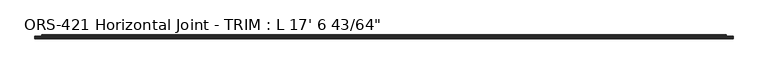
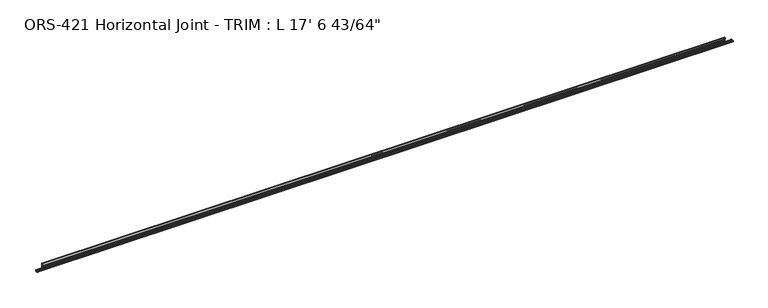
"""IFC4 building model written with IfcOpenShell, lengths in millimetres: proxy geometry."""

from ifc_helpers import new_model, si_unit, frame, origin, place, context, project, spatial, polyline, circle_curve, source, transform, mapped, element, save
from ifc_brep_helpers import plane_surface, cylinder_surface, revolved_surface, advanced_brep


def proxy_d3b7d7da(model_context):
    return source(origin(), model_context, "Body", "AdvancedBrep", [
        advanced_brep(
        [(5351.065625, -9.5227724, 14.2748961), (5351.065625, -11.1103088, 12.7000961), (5351.065625, -13.9276212, 12.7000961), (5351.065625, -17.0157724, 12.7000961), (5351.065625, -21.6311968, 12.7000961), (5351.065625, -24.719348, 12.7000961), (5351.065625, -28.5727724, 12.7000961), (5351.065625, -28.5727724, 10.9764677), (5351.065625, -27.3839904, 11.2304677), (5351.065625, -26.6022585, 10.9764677), (5351.065625, -25.807936, 11.2304677), (5351.065625, -25.0262041, 10.9764677), (5351.065625, -24.2318817, 11.2304677), (5351.065625, -23.4501498, 10.9764677), (5351.065625, -22.655827, 11.2304677), (5351.065625, -21.8740954, 10.9764677), (5351.065625, -21.0797726, 11.2304677), (5351.065625, -21.0797726, 7.806928), (5351.065625, -21.8740954, 8.060928), (5351.065625, -22.655827, 7.806928), (5351.065625, -23.4501498, 8.060928), (5351.065625, -24.2318817, 7.806928), (5351.065625, -25.0262041, 8.060928), (5351.065625, -25.807936, 7.806928), (5351.065625, -26.6022585, 8.060928), (5351.065625, -27.3839904, 7.806928), (5351.065625, -28.5727724, 8.0609281), (5351.065625, -28.5727724, 6.3372997), (5351.065625, -24.719348, 6.3372997), (5351.065625, -21.6311968, 6.3372997), (5351.065625, -17.0157724, 6.3372997), (5351.065625, -13.9276212, 6.3372997), (5351.065625, -11.1103088, 6.3372997), (5351.065625, -9.5227724, 4.7624997), (0.0, -9.5227724, 4.7624997), (0.0, -11.1103088, 6.3372997), (0.0, -13.9276212, 6.3372997), (0.0, -17.0157724, 6.3372997), (0.0, -21.6311968, 6.3372997), (0.0, -24.719348, 6.3372997), (0.0, -28.5727724, 6.3372997), (0.0, -28.5727724, 8.0609281), (0.0, -27.3839904, 7.806928), (0.0, -26.6022585, 8.060928), (0.0, -25.807936, 7.806928), (0.0, -25.0262041, 8.060928), (0.0, -24.2318817, 7.806928), (0.0, -23.4501498, 8.060928), (0.0, -22.655827, 7.806928), (0.0, -21.8740954, 8.060928), (0.0, -21.0797726, 7.806928), (0.0, -21.0797726, 11.2304677), (0.0, -21.8740954, 10.9764677), (0.0, -22.655827, 11.2304677), (0.0, -23.4501498, 10.9764677), (0.0, -24.2318817, 11.2304677), (0.0, -25.0262041, 10.9764677), (0.0, -25.807936, 11.2304677), (0.0, -26.6022585, 10.9764677), (0.0, -27.3839904, 11.2304677), (0.0, -28.5727724, 10.9764677), (0.0, -28.5727724, 12.7000961), (0.0, -24.719348, 12.7000961), (0.0, -21.6311968, 12.7000961), (0.0, -17.0157724, 12.7000961), (0.0, -13.9276212, 12.7000961), (0.0, -11.1103088, 12.7000961), (0.0, -9.5227724, 14.2748961), (5300.265625, -9.5227724, 4.7624997), (5300.265625, -9.5227724, 14.2748961), (50.8, -9.5227724, 14.2748961), (50.8, -9.5227724, 4.7624997), (5300.265625, -7.2821477, 4.7624997), (5300.265625, -5.3863371, 15.8340338), (5300.265625, -3.1774988, 15.8340338), (5300.265625, -3.1774988, 0.0), (5300.265625, 0.0, 0.0), (5300.265625, 0.0, 44.8483756), (5300.265625, -3.1774988, 44.8483756), (5300.265625, -3.1774988, 33.81375), (5300.265625, -5.392657, 33.81375), (5300.265625, -7.2036308, 44.3898369), (5300.265625, -8.3323044, 44.8490303), (5300.265625, -9.525, 44.3237531), (5300.265625, -9.525, 31.90875), (5300.265625, -3.81, 31.90875), (5300.265625, -1.905, 30.00375), (5300.265625, -1.905, 20.0025), (5300.265625, -3.81, 18.0975), (5300.265625, -9.5227724, 18.0975), (50.8, -9.5227724, 18.0975), (50.8, -3.81, 18.0975), (50.8, -1.905, 20.0025), (50.8, -1.905, 30.00375), (50.8, -3.81, 31.90875), (50.8, -9.525, 31.90875), (50.8, -9.525, 44.3237531), (50.8, -8.3323044, 44.8490303), (50.8, -7.2036308, 44.3898369), (50.8, -5.392657, 33.81375), (50.8, -3.1774988, 33.81375), (50.8, -3.1774988, 44.8483756), (50.8, 0.0, 44.8483756), (50.8, 0.0, 0.0), (50.8, -3.1774988, 0.0), (50.8, -3.1774988, 15.8340338), (50.8, -5.3863371, 15.8340338), (50.8, -7.2821477, 4.7624997)],
        [
            (0, 1, circle_curve(frame((5351.065625, -11.1103088, 14.287684), z_axis=(-1.0, 0.0, 0.0), x_axis=(0.0, 1.0, 0.0)), 1.5875879)),
            (1, 2),
            (2, 3, circle_curve(frame((5351.065625, -15.4716968, 12.7000961), z_axis=(1.0, 0.0, 0.0), x_axis=(0.0, 1.0, 0.0)), 1.5440756)),
            (3, 4),
            (4, 5, circle_curve(frame((5351.065625, -23.1752724, 12.7000961), z_axis=(1.0, 0.0, 0.0), x_axis=(0.0, 1.0, 0.0)), 1.5440756)),
            (5, 6),
            (6, 7),
            (7, 8),
            (8, 9),
            (9, 10),
            (10, 11),
            (11, 12),
            (12, 13),
            (13, 14),
            (14, 15),
            (15, 16),
            (16, 17, circle_curve(frame((5351.065625, -22.0566797, 9.5186979), z_axis=(-1.0, 0.0, 0.0), x_axis=(0.0, 1.0, 0.0)), 1.9709143)),
            (17, 18),
            (18, 19),
            (19, 20),
            (20, 21),
            (21, 22),
            (22, 23),
            (23, 24),
            (24, 25),
            (25, 26),
            (26, 27),
            (27, 28),
            (28, 29, circle_curve(frame((5351.065625, -23.1752724, 6.3372997), z_axis=(1.0, 0.0, 0.0), x_axis=(0.0, 1.0, 0.0)), 1.5440756)),
            (29, 30),
            (30, 31, circle_curve(frame((5351.065625, -15.4716968, 6.3372997), z_axis=(1.0, 0.0, 0.0), x_axis=(0.0, 1.0, 0.0)), 1.5440756)),
            (31, 32),
            (32, 33, circle_curve(frame((5351.065625, -11.1103088, 4.7497118), z_axis=(-1.0, 0.0, 0.0), x_axis=(0.0, 1.0, 0.0)), 1.5875879)),
            (33, 0),
            (34, 35, circle_curve(frame((0.0, -11.1103088, 4.7497118), z_axis=(1.0, 0.0, 0.0), x_axis=(0.0, 1.0, 0.0)), 1.5875879)),
            (35, 36),
            (36, 37, circle_curve(frame((0.0, -15.4716968, 6.3372997), z_axis=(-1.0, 0.0, 0.0), x_axis=(0.0, 1.0, 0.0)), 1.5440756)),
            (37, 38),
            (38, 39, circle_curve(frame((0.0, -23.1752724, 6.3372997), z_axis=(-1.0, 0.0, 0.0), x_axis=(0.0, 1.0, 0.0)), 1.5440756)),
            (39, 40),
            (40, 41),
            (41, 42),
            (42, 43),
            (43, 44),
            (44, 45),
            (45, 46),
            (46, 47),
            (47, 48),
            (48, 49),
            (49, 50),
            (50, 51, circle_curve(frame((0.0, -22.0566797, 9.5186979), z_axis=(1.0, 0.0, 0.0), x_axis=(0.0, 1.0, 0.0)), 1.9709143)),
            (51, 52),
            (52, 53),
            (53, 54),
            (54, 55),
            (55, 56),
            (56, 57),
            (57, 58),
            (58, 59),
            (59, 60),
            (60, 61),
            (61, 62),
            (62, 63, circle_curve(frame((0.0, -23.1752724, 12.7000961), z_axis=(-1.0, 0.0, 0.0), x_axis=(0.0, 1.0, 0.0)), 1.5440756)),
            (63, 64),
            (64, 65, circle_curve(frame((0.0, -15.4716968, 12.7000961), z_axis=(-1.0, 0.0, 0.0), x_axis=(0.0, 1.0, 0.0)), 1.5440756)),
            (65, 66),
            (66, 67, circle_curve(frame((0.0, -11.1103088, 14.287684), z_axis=(1.0, 0.0, 0.0), x_axis=(0.0, 1.0, 0.0)), 1.5875879)),
            (67, 34),
            (68, 69),
            (69, 0),
            (33, 68),
            (70, 71),
            (71, 34),
            (67, 70),
            (68, 72),
            (72, 73),
            (73, 74),
            (74, 75),
            (75, 76),
            (76, 77),
            (77, 78),
            (78, 79),
            (79, 80),
            (80, 81),
            (81, 82, circle_curve(frame((5300.265625, -8.3323044, 43.2323228), z_axis=(1.0, 0.0, 0.0), x_axis=(0.0, 1.0, 0.0)), 1.6167075)),
            (82, 83, circle_curve(frame((5300.265625, -8.3323044, 43.2323228), z_axis=(1.0, 0.0, 0.0), x_axis=(0.0, 1.0, 0.0)), 1.6167075)),
            (83, 84),
            (84, 85),
            (85, 86, circle_curve(frame((5300.265625, -3.81, 30.00375), z_axis=(-1.0, 0.0, 0.0), x_axis=(0.0, 1.0, 0.0)), 1.905)),
            (86, 87),
            (87, 88, circle_curve(frame((5300.265625, -3.81, 20.0025), z_axis=(-1.0, 0.0, 0.0), x_axis=(0.0, 1.0, 0.0)), 1.905)),
            (88, 89),
            (89, 69),
            (70, 90),
            (90, 91),
            (91, 92, circle_curve(frame((50.8, -3.81, 20.0025), z_axis=(1.0, 0.0, 0.0), x_axis=(0.0, 1.0, 0.0)), 1.905)),
            (92, 93),
            (93, 94, circle_curve(frame((50.8, -3.81, 30.00375), z_axis=(1.0, 0.0, 0.0), x_axis=(0.0, 1.0, 0.0)), 1.905)),
            (94, 95),
            (95, 96),
            (96, 97, circle_curve(frame((50.8, -8.3323044, 43.2323228), z_axis=(-1.0, 0.0, 0.0), x_axis=(0.0, 1.0, 0.0)), 1.6167075)),
            (97, 98, circle_curve(frame((50.8, -8.3323044, 43.2323228), z_axis=(-1.0, 0.0, 0.0), x_axis=(0.0, 1.0, 0.0)), 1.6167075)),
            (98, 99),
            (99, 100),
            (100, 101),
            (101, 102),
            (102, 103),
            (103, 104),
            (104, 105),
            (105, 106),
            (106, 107),
            (107, 71),
            (83, 96),
            (95, 84),
            (94, 85),
            (93, 86),
            (92, 87),
            (91, 88),
            (90, 89),
            (70, 69),
            (66, 1),
            (65, 2),
            (64, 3),
            (63, 4),
            (62, 5),
            (61, 6),
            (60, 7),
            (59, 8),
            (58, 9),
            (57, 10),
            (56, 11),
            (55, 12),
            (54, 13),
            (53, 14),
            (52, 15),
            (51, 16),
            (50, 17),
            (49, 18),
            (48, 19),
            (47, 20),
            (46, 21),
            (45, 22),
            (44, 23),
            (43, 24),
            (42, 25),
            (41, 26),
            (40, 27),
            (39, 28),
            (38, 29),
            (37, 30),
            (36, 31),
            (35, 32),
            (71, 68),
            (107, 72),
            (106, 73),
            (105, 74),
            (104, 75),
            (103, 76),
            (102, 77),
            (101, 78),
            (100, 79),
            (99, 80),
            (98, 81),
        ],
        [
            plane_surface(frame((5351.065625, -9.525, 44.3237531), z_axis=(1.0, 0.0, 0.0), x_axis=(0.0, 0.0, -1.0))),
            plane_surface(frame((0.0, -9.525, 44.3237531), z_axis=(-1.0, 0.0, 0.0), x_axis=(0.0, 0.0, 1.0))),
            plane_surface(frame((5300.265625, -9.5227724, 44.8490303), z_axis=(0.0, 1.0, 0.0), x_axis=(0.0, 0.0, -1.0))),
            plane_surface(frame((5300.265625, -9.5227724, 44.8490303), z_axis=(1.0, 0.0, 0.0), x_axis=(0.0, 1.0, 0.0))),
            plane_surface(frame((50.8, -9.5227724, 0.0), z_axis=(-1.0, 0.0, 0.0), x_axis=(0.0, 1.0, 0.0))),
            plane_surface(frame((5351.065625, -9.525, 44.3237531), z_axis=(0.0, -1.0, 0.0), x_axis=(-1.0, 0.0, 0.0))),
            plane_surface(frame((5351.065625, -9.525, 31.90875), z_axis=(0.0, 0.0, -1.0), x_axis=(-1.0, 0.0, 0.0))),
            revolved_surface(polyline([(50.8, -1.905, 30.00375), (5300.265625, -1.905, 30.00375)]), (0.0, -3.81, 30.00375), (-1.0, 0.0, 0.0)),
            plane_surface(frame((5351.065625, -1.905, 30.00375), z_axis=(0.0, -1.0, 0.0), x_axis=(-1.0, 0.0, 0.0))),
            revolved_surface(polyline([(50.8, -1.905, 20.0025), (5300.265625, -1.905, 20.0025)]), (0.0, -3.81, 20.0025), (-1.0, 0.0, 0.0)),
            plane_surface(frame((5351.065625, -3.81, 18.0975), z_axis=(0.0, 0.0, 1.0), x_axis=(-1.0, 0.0, 0.0))),
            plane_surface(frame((5351.065625, -9.5227724, 18.0975), z_axis=(0.0, -1.0, 0.0), x_axis=(-1.0, 0.0, 0.0))),
            revolved_surface(polyline([(0.0, -9.5227209, 14.287684), (5351.065625, -9.5227209, 14.287684)]), (0.0, -11.1103088, 14.287684), (-1.0, 0.0, 0.0)),
            plane_surface(frame((5351.065625, -11.1103088, 12.7000961), z_axis=(0.0, 0.0, 1.0), x_axis=(-1.0, 0.0, 0.0))),
            cylinder_surface(frame((0.0, -15.4716968, 12.7000961), z_axis=(1.0, 0.0, 0.0), x_axis=(0.0, 1.0, 0.0)), 1.5440756),
            plane_surface(frame((5351.065625, -17.0157724, 12.7000961), z_axis=(0.0, 2.5125332435120043e-12, 1.0), x_axis=(-1.0, 0.0, 0.0))),
            cylinder_surface(frame((0.0, -23.1752724, 12.7000961), z_axis=(1.0, 0.0, 0.0), x_axis=(0.0, 1.0, 0.0)), 1.5440756),
            plane_surface(frame((5351.065625, -24.719348, 12.7000961), z_axis=(0.0, 3.0258427879761502e-12, 1.0), x_axis=(-1.0, 0.0, 0.0))),
            plane_surface(frame((5351.065625, -28.5727724, 12.7000961), z_axis=(0.0, -1.0, 0.0), x_axis=(-1.0, 0.0, 0.0))),
            plane_surface(frame((5351.065625, -28.5727724, 10.9764677), z_axis=(0.0, 0.20894784040333542, -0.9779267866209527), x_axis=(-1.0, 0.0, 0.0))),
            plane_surface(frame((5351.065625, -27.3839904, 11.2304677), z_axis=(0.0, -0.30901689684287886, -0.9510565479852382), x_axis=(-1.0, 0.0, 0.0))),
            plane_surface(frame((5351.065625, -26.6022585, 10.9764677), z_axis=(0.0, 0.30457645188190946, -0.9524878922899896), x_axis=(-1.0, 0.0, 0.0))),
            plane_surface(frame((5351.065625, -25.807936, 11.2304677), z_axis=(0.0, -0.3090168968428797, -0.9510565479852379), x_axis=(-1.0, 0.0, 0.0))),
            plane_surface(frame((5351.065625, -25.0262041, 10.9764677), z_axis=(0.0, 0.3045764518819082, -0.9524878922899901), x_axis=(-1.0, 0.0, 0.0))),
            plane_surface(frame((5351.065625, -24.2318817, 11.2304677), z_axis=(0.0, -0.3090168968428797, -0.9510565479852379), x_axis=(-1.0, 0.0, 0.0))),
            plane_surface(frame((5351.065625, -23.4501498, 10.9764677), z_axis=(0.0, 0.30457635699014574, -0.9524879226334638), x_axis=(-1.0, 0.0, 0.0))),
            plane_surface(frame((5351.065625, -22.655827, 11.2304677), z_axis=(0.0, -0.30901699437495134, -0.9510565162951523), x_axis=(-1.0, 0.0, 0.0))),
            plane_surface(frame((5351.065625, -21.8740954, 10.9764677), z_axis=(0.0, 0.30457635699014957, -0.9524879226334626), x_axis=(-1.0, 0.0, 0.0))),
            revolved_surface(polyline([(0.0, -20.0857654, 9.5186979), (5351.065625, -20.0857654, 9.5186979)]), (0.0, -22.0566797, 9.5186979), (-1.0, 0.0, 0.0)),
            plane_surface(frame((5351.065625, -21.0797726, 7.806928), z_axis=(0.0, 0.30457635699015473, 0.9524879226334609), x_axis=(-1.0, 0.0, 0.0))),
            plane_surface(frame((5351.065625, -21.8740954, 8.060928), z_axis=(0.0, -0.309016994374944, 0.9510565162951548), x_axis=(-1.0, 0.0, 0.0))),
            plane_surface(frame((5351.065625, -22.655827, 7.806928), z_axis=(0.0, 0.3045763569901553, 0.9524879226334608), x_axis=(-1.0, 0.0, 0.0))),
            plane_surface(frame((5351.065625, -23.4501498, 8.060928), z_axis=(0.0, -0.30901689684287503, 0.9510565479852395), x_axis=(-1.0, 0.0, 0.0))),
            plane_surface(frame((5351.065625, -24.2318817, 7.806928), z_axis=(0.0, 0.3045764518819151, 0.9524878922899879), x_axis=(-1.0, 0.0, 0.0))),
            plane_surface(frame((5351.065625, -25.0262041, 8.060928), z_axis=(0.0, -0.3090168968428747, 0.9510565479852396), x_axis=(-1.0, 0.0, 0.0))),
            plane_surface(frame((5351.065625, -25.807936, 7.806928), z_axis=(0.0, 0.30457645188191784, 0.952487892289987), x_axis=(-1.0, 0.0, 0.0))),
            plane_surface(frame((5351.065625, -26.6022585, 8.060928), z_axis=(0.0, -0.30901689684287387, 0.9510565479852398), x_axis=(-1.0, 0.0, 0.0))),
            plane_surface(frame((5351.065625, -27.3839904, 7.806928), z_axis=(0.0, 0.20894784040334335, 0.977926786620951), x_axis=(-1.0, 0.0, 0.0))),
            plane_surface(frame((5351.065625, -28.5727724, 8.0609281), z_axis=(0.0, -1.0, 0.0), x_axis=(-1.0, 0.0, 0.0))),
            plane_surface(frame((5351.065625, -28.5727724, 6.3372997), z_axis=(0.0, 3.0220007964079006e-12, -1.0), x_axis=(-1.0, 0.0, 0.0))),
            cylinder_surface(frame((0.0, -23.1752724, 6.3372997), z_axis=(1.0, 0.0, 0.0), x_axis=(0.0, 1.0, 0.0)), 1.5440756),
            plane_surface(frame((5351.065625, -21.6311968, 6.3372997), z_axis=(0.0, 0.0, -1.0), x_axis=(-1.0, 0.0, 0.0))),
            cylinder_surface(frame((0.0, -15.4716968, 6.3372997), z_axis=(1.0, 0.0, 0.0), x_axis=(0.0, 1.0, 0.0)), 1.5440756),
            plane_surface(frame((5351.065625, -13.9276212, 6.3372997), z_axis=(0.0, 0.0, -1.0), x_axis=(-1.0, 0.0, 0.0))),
            revolved_surface(polyline([(0.0, -9.5227209, 4.7497118), (5351.065625, -9.5227209, 4.7497118)]), (0.0, -11.1103088, 4.7497118), (-1.0, 0.0, 0.0)),
            plane_surface(frame((5351.065625, -9.5227724, 4.7624997), z_axis=(0.0, 0.0, -1.0), x_axis=(-1.0, 0.0, 0.0))),
            plane_surface(frame((5351.065625, -7.2821477, 4.7624997), z_axis=(0.0, 0.9856543593999756, -0.16877643139912585), x_axis=(-1.0, 0.0, 0.0))),
            plane_surface(frame((5351.065625, -5.3863371, 15.8340338), z_axis=(0.0, 0.0, -1.0), x_axis=(-1.0, 0.0, 0.0))),
            plane_surface(frame((5351.065625, -3.1774988, 15.8340338), z_axis=(0.0, -1.0, 0.0), x_axis=(-1.0, 0.0, 0.0))),
            plane_surface(frame((5351.065625, -3.1774988, 0.0), z_axis=(0.0, 0.0, -1.0), x_axis=(-1.0, 0.0, 0.0))),
            plane_surface(frame((5351.065625, 0.0, 0.0), z_axis=(0.0, 1.0, 0.0), x_axis=(-1.0, 0.0, 0.0))),
            plane_surface(frame((5351.065625, 0.0, 44.8483756), z_axis=(0.0, 0.0, 1.0), x_axis=(-1.0, 0.0, 0.0))),
            plane_surface(frame((5351.065625, -3.1774988, 44.8483756), z_axis=(0.0, -1.0, 0.0), x_axis=(-1.0, 0.0, 0.0))),
            plane_surface(frame((5351.065625, -3.1774988, 33.81375), z_axis=(0.0, 0.0, 1.0), x_axis=(-1.0, 0.0, 0.0))),
            plane_surface(frame((5351.065625, -5.392657, 33.81375), z_axis=(0.0, 0.9856543593994344, 0.16877643140228668), x_axis=(-1.0, 0.0, 0.0))),
            cylinder_surface(frame((0.0, -8.3323044, 43.2323228), z_axis=(1.0, 0.0, 0.0), x_axis=(0.0, 1.0, 0.0)), 1.6167075),
        ],
        [
            (0, [[1, 2, 3, 4, 5, 6, 7, 8, 9, 10, 11, 12, 13, 14, 15, 16, 17, 18, 19, 20, 21, 22, 23, 24, 25, 26, 27, 28, 29, 30, 31, 32, 33, 34]]),
            (1, [[35, 36, 37, 38, 39, 40, 41, 42, 43, 44, 45, 46, 47, 48, 49, 50, 51, 52, 53, 54, 55, 56, 57, 58, 59, 60, 61, 62, 63, 64, 65, 66, 67, 68]]),
            (2, [[69, 70, -34, 71]]),
            (2, [[72, 73, -68, 74]]),
            (3, [[-69, 75, 76, 77, 78, 79, 80, 81, 82, 83, 84, 85, 86, 87, 88, 89, 90, 91, 92, 93]]),
            (4, [[-72, 94, 95, 96, 97, 98, 99, 100, 101, 102, 103, 104, 105, 106, 107, 108, 109, 110, 111, 112]]),
            (5, [[113, -100, 114, -87]]),
            (6, [[-114, -99, 115, -88]]),
            (7, [[-115, -98, 116, -89]]),
            (8, [[-116, -97, 117, -90]]),
            (9, [[-117, -96, 118, -91]]),
            (10, [[-118, -95, 119, -92]]),
            (11, [[-119, -94, 120, -93]]),
            (12, [[-1, -70, -120, -74, -67, 121]]),
            (13, [[-2, -121, -66, 122]]),
            (14, [[-3, -122, -65, 123]]),
            (15, [[-4, -123, -64, 124]]),
            (16, [[-5, -124, -63, 125]]),
            (17, [[-6, -125, -62, 126]]),
            (18, [[-7, -126, -61, 127]]),
            (19, [[-8, -127, -60, 128]]),
            (20, [[-9, -128, -59, 129]]),
            (21, [[-10, -129, -58, 130]]),
            (22, [[-11, -130, -57, 131]]),
            (23, [[-12, -131, -56, 132]]),
            (24, [[-13, -132, -55, 133]]),
            (25, [[-14, -133, -54, 134]]),
            (26, [[-15, -134, -53, 135]]),
            (27, [[-16, -135, -52, 136]]),
            (28, [[-17, -136, -51, 137]]),
            (29, [[-18, -137, -50, 138]]),
            (30, [[-19, -138, -49, 139]]),
            (31, [[-20, -139, -48, 140]]),
            (32, [[-21, -140, -47, 141]]),
            (33, [[-22, -141, -46, 142]]),
            (34, [[-23, -142, -45, 143]]),
            (35, [[-24, -143, -44, 144]]),
            (36, [[-25, -144, -43, 145]]),
            (37, [[-26, -145, -42, 146]]),
            (38, [[-27, -146, -41, 147]]),
            (39, [[-28, -147, -40, 148]]),
            (40, [[-29, -148, -39, 149]]),
            (41, [[-30, -149, -38, 150]]),
            (42, [[-31, -150, -37, 151]]),
            (43, [[-32, -151, -36, 152]]),
            (44, [[-33, -152, -35, -73, 153, -71]]),
            (45, [[-153, -112, 154, -75]]),
            (46, [[-154, -111, 155, -76]]),
            (47, [[-155, -110, 156, -77]]),
            (48, [[-156, -109, 157, -78]]),
            (49, [[-157, -108, 158, -79]]),
            (50, [[-158, -107, 159, -80]]),
            (51, [[-159, -106, 160, -81]]),
            (52, [[-160, -105, 161, -82]]),
            (53, [[-161, -104, 162, -83]]),
            (54, [[-162, -103, 163, -84]]),
            (55, [[-113, -86, -85, -163, -102, -101]]),
        ],
    ),
    ])


if __name__ == "__main__":
    model = new_model("IFC4")
    model_context = context("Model", 3, world=origin())
    ifc_project = project(units=[si_unit("LENGTHUNIT", "METRE", prefix="MILLI")], contexts=[model_context])
    site = spatial("IfcSite", under=ifc_project)
    building = spatial("IfcBuilding", under=site)
    placement = place(None, origin())
    proxy_shape = proxy_d3b7d7da(model_context)
    element("IfcBuildingElementProxy", 1, Name="ORS-421 Horizontal Joint - TRIM : L 17' 6 43/64\"", ObjectType="ORS-421 Horizontal Joint - TRIM : L 17' 6 43/64\"", at=placement, inside=building, context=model_context, shape_type="MappedRepresentation", body=[
        mapped(proxy_shape, transform((0.0, 0.0, 0.0), x_axis=(1.0, 0.0, 0.0), y_axis=(0.0, 1.0, 0.0), z_axis=(0.0, 0.0, 1.0))),
    ])
    save(model, "model.ifc")
